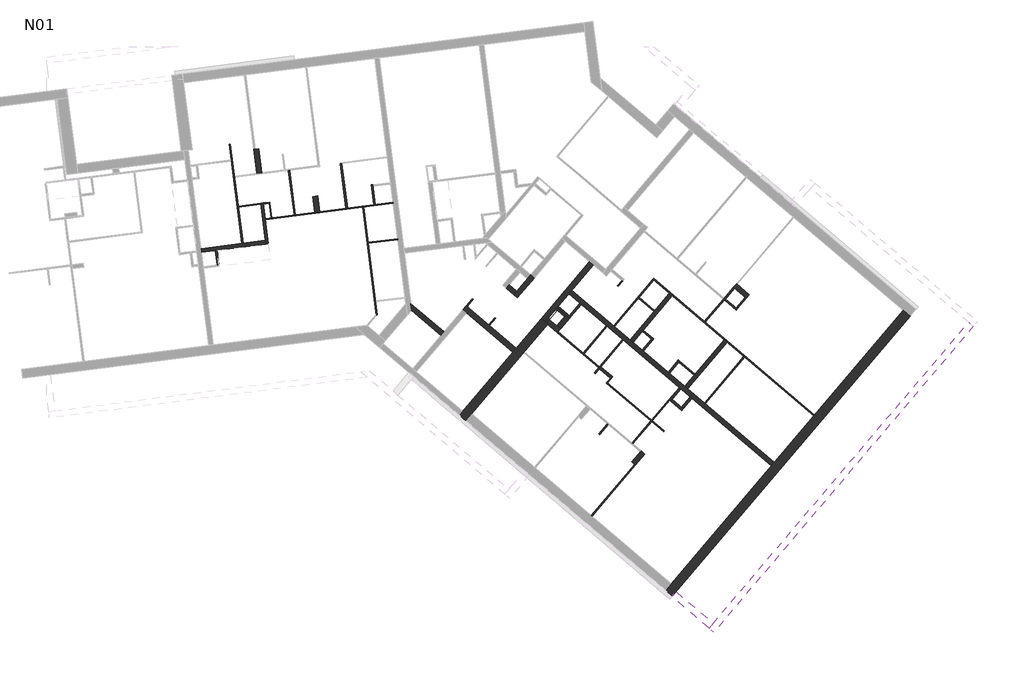
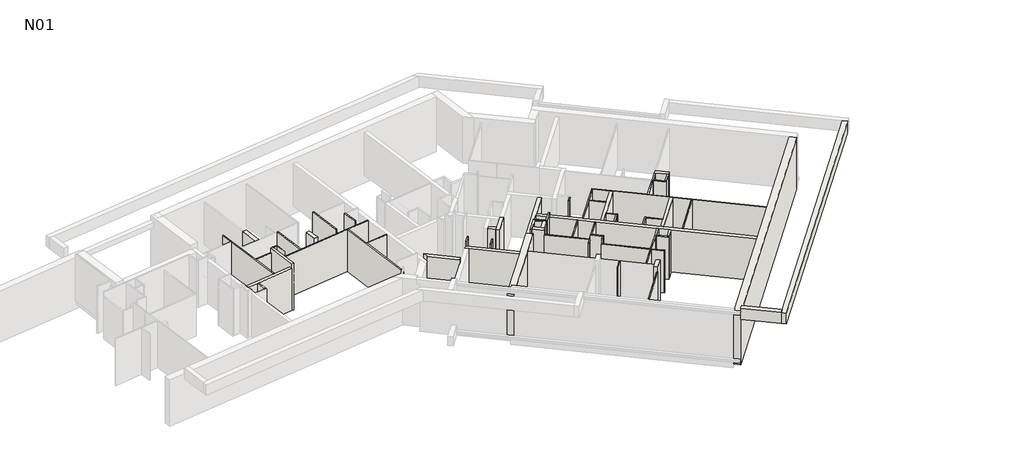
# One storey, part 2 of 3: 63 walls.
"""IFC4 building model written with IfcOpenShell, lengths in millimetres."""

from ifc_helpers import new_model, si_unit, frame, origin, place, context, project, spatial, polyline, outline, extrude, faceted_brep, element, save

model = new_model("IFC4")

# Units and contexts
model_context = context("Model", 3, world=origin())
ifc_project = project(units=[si_unit("LENGTHUNIT", "METRE", prefix="MILLI")], contexts=[model_context])

# Site, building, storey
site = spatial("IfcSite", under=ifc_project)
building = spatial("IfcBuilding", under=site)
storey = spatial("IfcBuildingStorey", under=building, Name="N01", Elevation=3070.0)

# Walls
placement = place(None, origin())
element("IfcWall", 1, at=placement, inside=storey, context=model_context, shape_type="Brep", body=[
    faceted_brep([(28349.5327642, 14866.2082048, 2800.0), (18559.3618877, 3330.6347804, 2800.0), (18559.3618877, 3330.6347804, 5840.0), (18798.7778311, 3612.7340644, 5840.0), (28349.5327642, 14866.2082048, 5840.0), (28631.6320474, 14626.7922604, 2800.0), (28631.6320474, 14626.7922604, 5840.0), (19080.8771151, 3373.318121, 5840.0), (18996.7579999, 3274.2021564, 5840.0), (18841.4611717, 3091.218837, 5840.0), (18841.4611717, 3091.218837, 5510.0), (18841.4611717, 3091.218837, 3380.0), (18841.4611717, 3091.218837, 2800.0), (18996.7579999, 3274.2021564, 2800.0)], [[[0, 1, 2, 3, 4]], [[5, 6, 7, 8, 9, 10, 11, 12, 13]], [[1, 0, 5, 13, 12]], [[4, 3, 2, 9, 8, 7, 6]], [[0, 4, 6, 5]], [[1, 12, 11, 10, 9, 2]]]),
])
element("IfcWall", 2, at=placement, inside=storey, context=model_context, shape_type="Brep", body=[
    faceted_brep([(10327.551374, 10316.9222052, 3070.0), (10566.9673175, 10599.0214892, 3070.0), (12710.0141102, 13124.1330466, 3070.0), (12742.3676161, 13162.2545715, 3070.0), (13700.7356476, 14291.4815212, 3070.0), (13700.7356476, 14291.4815212, 5570.0), (12742.3676161, 13162.2545715, 5570.0), (12710.0141102, 13124.1330466, 5570.0), (10566.9673175, 10599.0214892, 5570.0), (10327.551374, 10316.9222052, 5570.0), (13433.8849736, 14517.9560622, 5570.0), (13433.8849736, 14517.9560622, 3070.0), (12403.0945249, 13303.3951464, 3070.0), (12273.6805015, 13150.909047, 3070.0), (10203.0561258, 10711.1314557, 3070.0), (10060.7007, 10543.3967463, 3070.0), (10060.7007, 10543.3967463, 5570.0), (10203.0561258, 10711.1314557, 5570.0), (12273.6805015, 13150.909047, 5570.0), (12403.0945249, 13303.3951464, 5570.0), (10194.126037, 10430.1594757, 3070.0), (10194.126037, 10430.1594757, 5570.0)], [[[0, 1, 2, 3, 4, 5, 6, 7, 8, 9]], [[10, 11, 12, 13, 14, 15, 16, 17, 18, 19]], [[4, 3, 2, 1, 0, 20, 15, 14, 13, 12, 11]], [[5, 4, 11, 10]], [[9, 8, 7, 6, 5, 10, 19, 18, 17, 16, 21]], [[0, 9, 21, 16, 15, 20]]]),
])
element("IfcWall", 3, at=placement, inside=storey, context=model_context, shape_type="Brep", body=[
    faceted_brep([(13586.371073, 14388.5420388, 3070.0), (14569.2133936, 15546.6065809, 3070.0), (14698.6274171, 15699.0926804, 3070.0), (15578.6427768, 16735.9981567, 3070.0), (15578.6427768, 16735.9981567, 5570.0), (14698.6274171, 15699.0926804, 5570.0), (14569.2133936, 15546.6065809, 5570.0), (13586.371073, 14388.5420388, 5570.0), (13433.8849736, 14517.9560622, 3070.0), (13433.8849736, 14517.9560622, 5570.0), (15426.1566773, 16865.4121802, 5570.0), (15426.1566773, 16865.4121802, 3070.0)], [[[0, 1, 2, 3, 4, 5, 6, 7]], [[8, 9, 10, 11]], [[3, 2, 1, 0, 8, 11]], [[7, 6, 5, 4, 10, 9]], [[0, 7, 9, 8]], [[4, 3, 11, 10]]]),
])
element("IfcWall", 4, at=placement, inside=storey, context=model_context, shape_type="Brep", body=[
    faceted_brep([(12403.0945249, 13303.3951464, 3070.0), (11305.1946088, 14235.1761155, 3070.0), (11267.073084, 14267.5296214, 3070.0), (10382.6537071, 15018.1309575, 3070.0), (10344.5321823, 15050.4844634, 3070.0), (10344.5321823, 15050.4844634, 5570.0), (12403.0945249, 13303.3951464, 5570.0), (12273.6805015, 13150.909047, 3070.0), (12273.6805015, 13150.909047, 5570.0), (10367.6042582, 14768.5843405, 5570.0), (10215.1181588, 14897.9983639, 5570.0), (10215.1181588, 14897.9983639, 3070.0), (10367.6042582, 14768.5843405, 3070.0)], [[[0, 1, 2, 3, 4, 5, 6]], [[7, 8, 9, 10, 11, 12]], [[4, 3, 2, 1, 0, 7, 12, 11]], [[6, 5, 10, 9, 8]], [[5, 4, 11, 10]], [[0, 6, 8, 7]]]),
])
element("IfcWall", 5, at=placement, inside=storey, context=model_context, shape_type="Brep", body=[
    faceted_brep([(8089.348342, 14865.8933062, 3070.0), (9309.2199944, 13830.5956677, 3070.0), (9309.2199944, 13830.5956677, 5840.0), (8089.348342, 14865.8933062, 5840.0), (8066.276266, 15147.7934292, 3070.0), (8066.276266, 15147.7934292, 5840.0), (9438.6340179, 13983.0817672, 5840.0), (9438.6340179, 13983.0817672, 3070.0), (8100.609629, 14879.1622679, 3070.0), (8100.609629, 14879.1622679, 5840.0), (8100.609629, 14879.1622679, 5570.0)], [[[0, 1, 2, 3]], [[4, 5, 6, 7]], [[1, 0, 8, 4, 7]], [[3, 2, 6, 5, 9]], [[2, 1, 7, 6]], [[0, 3, 9, 10, 8]], [[9, 5, 4, 8, 10]]]),
])
element("IfcWall", 6, at=placement, inside=storey, context=model_context, shape_type="Brep", body=[
    faceted_brep([(31042.9791032, 14377.1818074, 5510.0), (20521.6189944, 1980.0619216, 5510.0), (20353.3807639, 1781.8299923, 5510.0), (20353.3807639, 1781.8299923, 6150.0), (20521.6189944, 1980.0619216, 6150.0), (31042.9791032, 14377.1818074, 6150.0), (31241.2110325, 14208.9435768, 5510.0), (31241.2110325, 14208.9435768, 6150.0), (20551.6126932, 1613.5917618, 6150.0), (20551.6126932, 1613.5917618, 5510.0)], [[[0, 1, 2, 3, 4, 5]], [[6, 7, 8, 9]], [[2, 1, 0, 6, 9]], [[5, 4, 3, 8, 7]], [[0, 5, 7, 6]], [[3, 2, 9, 8]]]),
])
element("IfcWall", 7, at=placement, inside=storey, context=model_context, shape_type="Brep", body=[
    faceted_brep([(20521.6189944, 1980.0619216, 5510.0), (18996.7579999, 3274.2021564, 5510.0), (18996.7579999, 3274.2021564, 5840.0), (18996.7579999, 3274.2021564, 6150.0), (20521.6189944, 1980.0619216, 6150.0), (18828.5197694, 3075.9702271, 5510.0), (20353.3807639, 1781.8299923, 5510.0), (20353.3807639, 1781.8299923, 6150.0), (18828.5197694, 3075.9702271, 6150.0), (18841.4611717, 3091.218837, 6150.0)], [[[0, 1, 2, 3, 4]], [[5, 6, 7, 8]], [[1, 0, 6, 5]], [[5, 8, 9, 3, 2, 1]], [[4, 3, 9, 8, 7]], [[0, 4, 7, 6]]]),
])
element("IfcWall", 8, at=placement, inside=storey, context=model_context, shape_type="Brep", body=[
    faceted_brep([(23044.8025054, 8615.744738, 3070.0), (20203.3756075, 11027.2464329, 3070.0), (20165.2540826, 11059.5999387, 3070.0), (19479.0666351, 11641.9630444, 3070.0), (19357.0777555, 11745.4942632, 3070.0), (18724.2604428, 12282.5624606, 3070.0), (18670.890308, 12327.8573688, 3070.0), (17219.7762145, 13559.409058, 3070.0), (17097.7873349, 13662.9402767, 3070.0), (16457.3457172, 14206.4791754, 3070.0), (16419.2241924, 14238.8326812, 3070.0), (14698.6274171, 15699.0926804, 3070.0), (14698.6274171, 15699.0926804, 5570.0), (16419.2241924, 14238.8326812, 5570.0), (16457.3457172, 14206.4791754, 5570.0), (17097.7873349, 13662.9402767, 5570.0), (17219.7762145, 13559.409058, 5570.0), (18670.890308, 12327.8573688, 5570.0), (18724.2604428, 12282.5624606, 5570.0), (19357.0777555, 11745.4942632, 5570.0), (19479.0666351, 11641.9630444, 5570.0), (20165.2540826, 11059.5999387, 5570.0), (20203.3756075, 11027.2464329, 5570.0), (23044.8025054, 8615.744738, 5570.0), (22915.3884819, 8463.2586386, 3070.0), (22915.3884819, 8463.2586386, 5570.0), (19648.4348699, 11235.9022629, 5570.0), (19572.1918202, 11300.6092746, 5570.0), (19190.9765715, 11624.1443333, 5570.0), (19114.7335218, 11688.851345, 5570.0), (16822.4519677, 13634.2967327, 5570.0), (16784.3304428, 13666.6502385, 5570.0), (16151.51313, 14203.718436, 5570.0), (16113.3916052, 14236.0719418, 5570.0), (14569.2133936, 15546.6065809, 5570.0), (14569.2133936, 15546.6065809, 3070.0), (16113.3916052, 14236.0719418, 3070.0), (16151.51313, 14203.718436, 3070.0), (16784.3304428, 13666.6502385, 3070.0), (16822.4519677, 13634.2967327, 3070.0), (19114.7335218, 11688.851345, 3070.0), (19190.9765715, 11624.1443333, 3070.0), (19572.1918202, 11300.6092746, 3070.0), (19648.4348699, 11235.9022629, 3070.0)], [[[0, 1, 2, 3, 4, 5, 6, 7, 8, 9, 10, 11, 12, 13, 14, 15, 16, 17, 18, 19, 20, 21, 22, 23]], [[24, 25, 26, 27, 28, 29, 30, 31, 32, 33, 34, 35, 36, 37, 38, 39, 40, 41, 42, 43]], [[11, 10, 9, 8, 7, 6, 5, 4, 3, 2, 1, 0, 24, 43, 42, 41, 40, 39, 38, 37, 36, 35]], [[23, 22, 21, 20, 19, 18, 17, 16, 15, 14, 13, 12, 34, 33, 32, 31, 30, 29, 28, 27, 26, 25]], [[0, 23, 25, 24]], [[12, 11, 35, 34]]]),
])
element("IfcWall", 9, at=placement, inside=storey, context=model_context, shape_type="Brep", body=[
    faceted_brep([(12998.0125548, 16326.6822904, 3070.0), (12868.5985313, 16174.196191, 3070.0), (12435.0615526, 15663.3677578, 3070.0), (12305.6475292, 15510.8816583, 3070.0), (12305.6475292, 15510.8816583, 5570.0), (12435.0615526, 15663.3677578, 5570.0), (12868.5985313, 16174.196191, 5570.0), (12998.0125548, 16326.6822904, 5570.0), (13150.4986542, 16197.2682669, 3070.0), (13150.4986542, 16197.2682669, 5570.0), (12458.1336286, 15381.4676348, 5570.0), (12458.1336286, 15381.4676348, 3070.0)], [[[0, 1, 2, 3, 4, 5, 6, 7]], [[8, 9, 10, 11]], [[3, 2, 1, 0, 8, 11]], [[7, 6, 5, 4, 10, 9]], [[4, 3, 11, 10]], [[0, 7, 9, 8]]]),
])
element("IfcWall", 10, at=placement, inside=storey, context=model_context, shape_type="SweptSolid", body=[
    extrude(outline(polyline([(12305.6475292, 15510.8816583), (12000.6753302, 15769.7097053), (12130.0893537, 15922.1958047), (12435.0615526, 15663.3677578), (12305.6475292, 15510.8816583)])), frame((0.0, 0.0, 3070.0), z_axis=(0.0, 0.0, 1.0), x_axis=(1.0, 0.0, 0.0)), (0.0, 0.0, 1.0), 2500.0),
])
element("IfcWall", 11, at=placement, inside=storey, context=model_context, shape_type="SweptSolid", body=[
    extrude(outline(polyline([(14152.0802044, 14931.4722172), (14457.0524033, 14672.6441703), (14405.2867939, 14611.6497305), (14100.314595, 14870.4777775), (14152.0802044, 14931.4722172)])), frame((0.0, 0.0, 3070.0), z_axis=(0.0, 0.0, 1.0), x_axis=(1.0, 0.0, 0.0)), (0.0, 0.0, 1.0), 2770.0),
])
element("IfcWall", 12, at=placement, inside=storey, context=model_context, shape_type="Brep", body=[
    faceted_brep([(14091.0857646, 14983.2378266, 3070.0), (13586.371073, 14388.5420388, 3070.0), (13586.371073, 14388.5420388, 5840.0), (14091.0857646, 14983.2378266, 5840.0), (14019.9080517, 14899.3704719, 4570.0), (13728.7264989, 14556.2767482, 4570.0), (13728.7264989, 14556.2767482, 3570.0), (14019.9080517, 14899.3704719, 3570.0), (13647.3655128, 14336.7764294, 3070.0), (13776.7795363, 14489.2625288, 3070.0), (14100.314595, 14870.4777775, 3070.0), (14152.0802044, 14931.4722172, 3070.0), (14152.0802044, 14931.4722172, 5840.0), (14100.314595, 14870.4777775, 5840.0), (13776.7795363, 14489.2625288, 5840.0), (13647.3655128, 14336.7764294, 5840.0), (13789.7209386, 14504.5111388, 4570.0), (14080.9024915, 14847.6048625, 4570.0), (14080.9024915, 14847.6048625, 3570.0), (13789.7209386, 14504.5111388, 3570.0)], [[[0, 1, 2, 3], [4, 5, 6, 7]], [[8, 9, 10, 11, 12, 13, 14, 15], [16, 17, 18, 19]], [[1, 0, 11, 10, 9, 8]], [[3, 2, 15, 14, 13, 12]], [[4, 17, 16, 5]], [[6, 19, 18, 7]], [[17, 4, 7, 18]], [[5, 16, 19, 6]], [[2, 1, 8, 15]], [[0, 3, 12, 11]]]),
])
element("IfcWall", 13, at=placement, inside=storey, context=model_context, shape_type="Brep", body=[
    faceted_brep([(13647.3655128, 14336.7764294, 3070.0), (14104.8238112, 13948.5343589, 3070.0), (14104.8238112, 13948.5343589, 5840.0), (13647.3655128, 14336.7764294, 5840.0), (13776.7795363, 14489.2625288, 3070.0), (13776.7795363, 14489.2625288, 5840.0), (14081.7517352, 14230.4344819, 5840.0), (14234.2378347, 14101.0204584, 5840.0), (14234.2378347, 14101.0204584, 3070.0), (14081.7517352, 14230.4344819, 3070.0)], [[[0, 1, 2, 3]], [[4, 5, 6, 7, 8, 9]], [[1, 0, 4, 9, 8]], [[3, 2, 7, 6, 5]], [[2, 1, 8, 7]], [[0, 3, 5, 4]]]),
])
element("IfcWall", 14, at=placement, inside=storey, context=model_context, shape_type="Brep", body=[
    faceted_brep([(14234.2378347, 14101.0204584, 3070.0), (14609.5385027, 14543.2301468, 3070.0), (14609.5385027, 14543.2301468, 5840.0), (14234.2378347, 14101.0204584, 5840.0), (14081.7517352, 14230.4344819, 3070.0), (14081.7517352, 14230.4344819, 5840.0), (14405.2867939, 14611.6497305, 5840.0), (14457.0524033, 14672.6441703, 5840.0), (14457.0524033, 14672.6441703, 3070.0), (14405.2867939, 14611.6497305, 3070.0)], [[[0, 1, 2, 3]], [[4, 5, 6, 7, 8, 9]], [[1, 0, 4, 9, 8]], [[3, 2, 7, 6, 5]], [[0, 3, 5, 4]], [[2, 1, 8, 7]]]),
])
element("IfcWall", 15, ObjectType="CLO 10", at=placement, inside=storey, context=model_context, shape_type="Brep", body=[
    faceted_brep([(19114.7335218, 11688.851345, 3070.0), (18694.1379455, 11193.2715218, 3070.0), (18694.1379455, 11193.2715218, 5570.0), (19114.7335218, 11688.851345, 5570.0), (19190.9765715, 11624.1443333, 3070.0), (19190.9765715, 11624.1443333, 5570.0), (18835.0880069, 11204.8075598, 5570.0), (18770.3809952, 11128.5645101, 5570.0), (18770.3809952, 11128.5645101, 3070.0), (18835.0880069, 11204.8075598, 3070.0), (18732.2594703, 11160.9180159, 3070.0), (18732.2594703, 11160.9180159, 5570.0)], [[[0, 1, 2, 3]], [[4, 5, 6, 7, 8, 9]], [[1, 0, 4, 9, 8, 10]], [[3, 2, 11, 7, 6, 5]], [[0, 3, 5, 4]], [[2, 1, 10, 8, 7, 11]]]),
])
element("IfcWall", 16, ObjectType="CLO 10", at=placement, inside=storey, context=model_context, shape_type="Brep", body=[
    faceted_brep([(18770.3809952, 11128.5645101, 3070.0), (19227.8392936, 10740.3224396, 3070.0), (19227.8392936, 10740.3224396, 5570.0), (18770.3809952, 11128.5645101, 5570.0), (18835.0880069, 11204.8075598, 3070.0), (18835.0880069, 11204.8075598, 5570.0), (19216.3032556, 10881.2725011, 5570.0), (19292.5463053, 10816.5654894, 5570.0), (19292.5463053, 10816.5654894, 3070.0), (19216.3032556, 10881.2725011, 3070.0)], [[[0, 1, 2, 3]], [[4, 5, 6, 7, 8, 9]], [[1, 0, 4, 9, 8]], [[3, 2, 7, 6, 5]], [[2, 1, 8, 7]], [[0, 3, 5, 4]]]),
])
element("IfcWall", 17, ObjectType="CLO 10", at=placement, inside=storey, context=model_context, shape_type="SweptSolid", body=[
    extrude(outline(polyline([(19648.4348699, 11235.9022629), (19292.5463053, 10816.5654894), (19216.3032556, 10881.2725011), (19572.1918202, 11300.6092746), (19648.4348699, 11235.9022629)])), frame((0.0, 0.0, 3070.0), z_axis=(0.0, 0.0, 1.0), x_axis=(1.0, 0.0, 0.0)), (0.0, 0.0, 1.0), 2500.0),
])
element("IfcWall", 18, ObjectType="CLO 10", at=placement, inside=storey, context=model_context, shape_type="SweptSolid", body=[
    extrude(outline(polyline([(15897.1416998, 12544.0211215), (16354.5999982, 12155.7790511), (16289.8929864, 12079.5360014), (15832.4346881, 12467.7780718), (15897.1416998, 12544.0211215)])), frame((0.0, 0.0, 3070.0), z_axis=(0.0, 0.0, 1.0), x_axis=(1.0, 0.0, 0.0)), (0.0, 0.0, 1.0), 2770.0),
])
element("IfcWall", 19, ObjectType="CLO 10", at=placement, inside=storey, context=model_context, shape_type="Brep", body=[
    faceted_brep([(2196.7926161, 17609.779786, 3070.0), (2070.0916156, 18601.1139866, 3070.0), (2063.7527505, 18650.7105469, 3070.0), (1987.6863688, 19245.8692699, 3070.0), (1981.3475037, 19295.4658301, 3070.0), (1981.3475037, 19295.4658301, 5840.0), (1987.6863688, 19245.8692699, 5840.0), (2196.7926161, 17609.779786, 5840.0), (2097.5994956, 17597.1020558, 3070.0), (2097.5994956, 17597.1020558, 5570.0), (2097.5994956, 17597.1020558, 5840.0), (1882.1543832, 19282.7880998, 5840.0), (1882.1543832, 19282.7880998, 5570.0), (1882.1543832, 19282.7880998, 3070.0), (1888.4932483, 19233.1915396, 3070.0), (2077.3151272, 17755.8110486, 3070.0)], [[[0, 1, 2, 3, 4, 5, 6, 7]], [[8, 9, 10, 11, 12, 13, 14, 15]], [[4, 3, 2, 1, 0, 8, 15, 14, 13]], [[7, 6, 5, 11, 10]], [[0, 7, 10, 9, 8]], [[4, 13, 12, 11, 5]]]),
])
element("IfcWall", 20, ObjectType="CLO 2", at=placement, inside=storey, context=model_context, shape_type="Brep", body=[
    faceted_brep([(2235.6691701, 19277.5635956, 3070.0), (2311.7355518, 18682.4048725, 3070.0), (2311.7355518, 18682.4048725, 5840.0), (2235.6691701, 19277.5635956, 5840.0), (2255.5077942, 19280.0991416, 3070.0), (2255.5077942, 19280.0991416, 5840.0), (2331.5741759, 18684.9404186, 5840.0), (2331.5741759, 18684.9404186, 5170.0), (2331.5741759, 18684.9404186, 3070.0)], [[[0, 1, 2, 3]], [[4, 5, 6, 7, 8]], [[1, 0, 4, 8]], [[3, 2, 6, 5]], [[0, 3, 5, 4]], [[2, 1, 8, 7, 6]]]),
])
element("IfcWall", 21, ObjectType="CLO 5", at=placement, inside=storey, context=model_context, shape_type="SweptSolid", body=[
    extrude(outline(polyline([(11564.0226558, 14540.1483144), (11305.1946088, 14235.1761155), (11267.073084, 14267.5296214), (11525.9011309, 14572.5018203), (11564.0226558, 14540.1483144)])), frame((0.0, 0.0, 3070.0), z_axis=(0.0, 0.0, 1.0), x_axis=(1.0, 0.0, 0.0)), (0.0, 0.0, 1.0), 2770.0),
])
element("IfcWall", 22, ObjectType="CLO 5", at=placement, inside=storey, context=model_context, shape_type="Brep", body=[
    faceted_brep([(10382.6537071, 15018.1309575, 3070.0), (10641.4817541, 15323.1031564, 3070.0), (10641.4817541, 15323.1031564, 5840.0), (10382.6537071, 15018.1309575, 5840.0), (10344.5321823, 15050.4844634, 3070.0), (10344.5321823, 15050.4844634, 5570.0), (10344.5321823, 15050.4844634, 5840.0), (10603.3602292, 15355.4566623, 5840.0), (10603.3602292, 15355.4566623, 3070.0)], [[[0, 1, 2, 3]], [[4, 5, 6, 7, 8]], [[1, 0, 4, 8]], [[2, 1, 8, 7]], [[3, 2, 7, 6]], [[0, 3, 6, 5, 4]]]),
])
element("IfcWall", 23, ObjectType="CLO 5", at=placement, inside=storey, context=model_context, shape_type="Brep", body=[
    faceted_brep([(24711.8920463, 10549.1363042, 3070.0), (18071.0651233, 16185.1656498, 3070.0), (18071.0651233, 16185.1656498, 5570.0), (20160.1819776, 14412.144905, 5570.0), (20198.3035024, 14379.7913992, 5570.0), (24711.8920463, 10549.1363042, 5570.0), (24679.5385405, 10511.0147794, 3070.0), (24679.5385405, 10511.0147794, 5570.0), (21822.8630326, 12935.4578765, 5570.0), (21784.7415077, 12967.8113824, 5570.0), (21098.5540602, 13550.1744881, 5570.0), (20976.5651806, 13653.7057069, 5570.0), (18839.2636396, 15467.6205017, 5570.0), (18717.2747601, 15571.1517204, 5570.0), (18076.8331423, 16114.690619, 5570.0), (18038.7116175, 16147.0441249, 5570.0), (18038.7116175, 16147.0441249, 3070.0), (18076.8331423, 16114.690619, 3070.0), (18717.2747601, 15571.1517204, 3070.0), (18839.2636396, 15467.6205017, 3070.0), (20976.5651806, 13653.7057069, 3070.0), (21098.5540602, 13550.1744881, 3070.0), (21784.7415077, 12967.8113824, 3070.0), (21822.8630326, 12935.4578765, 3070.0)], [[[0, 1, 2, 3, 4, 5]], [[6, 7, 8, 9, 10, 11, 12, 13, 14, 15, 16, 17, 18, 19, 20, 21, 22, 23]], [[1, 0, 6, 23, 22, 21, 20, 19, 18, 17, 16]], [[5, 4, 3, 2, 15, 14, 13, 12, 11, 10, 9, 8, 7]], [[0, 5, 7, 6]], [[2, 1, 16, 15]]]),
])
element("IfcWall", 24, ObjectType="CLO 5", at=placement, inside=storey, context=model_context, shape_type="Brep", body=[
    faceted_brep([(17442.7044273, 15367.5087317, 3070.0), (18083.146045, 14823.9698331, 3070.0), (18083.146045, 14823.9698331, 5570.0), (17442.7044273, 15367.5087317, 5570.0), (17442.7044273, 15367.5087317, 5170.0), (17475.0579332, 15405.6302566, 3070.0), (17475.0579332, 15405.6302566, 5170.0), (17475.0579332, 15405.6302566, 5570.0), (18115.4995509, 14862.091358, 5570.0), (18115.4995509, 14862.091358, 3070.0)], [[[0, 1, 2, 3, 4]], [[5, 6, 7, 8, 9]], [[1, 0, 5, 9]], [[3, 2, 8, 7]], [[0, 4, 3, 7, 6, 5]], [[2, 1, 9, 8]]]),
])
element("IfcWall", 25, ObjectType="CLO 5", at=placement, inside=storey, context=model_context, shape_type="SweptSolid", body=[
    extrude(outline(polyline([(21822.8630326, 12935.4578765), (20203.3756075, 11027.2464329), (20165.2540826, 11059.5999387), (21784.7415077, 12967.8113824), (21822.8630326, 12935.4578765)])), frame((0.0, 0.0, 3070.0), z_axis=(0.0, 0.0, 1.0), x_axis=(1.0, 0.0, 0.0)), (0.0, 0.0, 1.0), 2500.0),
])
element("IfcWall", 26, ObjectType="CLO 5", at=placement, inside=storey, context=model_context, shape_type="Brep", body=[
    faceted_brep([(18038.7116175, 16147.0441249, 3070.0), (16419.2241924, 14238.8326812, 3070.0), (16419.2241924, 14238.8326812, 5570.0), (18038.7116175, 16147.0441249, 5570.0), (18076.8331423, 16114.690619, 3070.0), (18076.8331423, 16114.690619, 5570.0), (17475.0579332, 15405.6302566, 5570.0), (17442.7044273, 15367.5087317, 5570.0), (16457.3457172, 14206.4791754, 5570.0), (16457.3457172, 14206.4791754, 3070.0), (17442.7044273, 15367.5087317, 3070.0), (17475.0579332, 15405.6302566, 3070.0)], [[[0, 1, 2, 3]], [[4, 5, 6, 7, 8, 9, 10, 11]], [[1, 0, 4, 11, 10, 9]], [[3, 2, 8, 7, 6, 5]], [[2, 1, 9, 8]], [[0, 3, 5, 4]]]),
])
element("IfcWall", 27, ObjectType="CLO 5", at=placement, inside=storey, context=model_context, shape_type="SweptSolid", body=[
    extrude(outline(polyline([(15493.7026942, 6417.7311946), (17282.8515688, 8525.8515196), (17320.9730937, 8493.4980137), (15531.8242191, 6385.3776887), (15493.7026942, 6417.7311946)])), frame((0.0, 0.0, 3070.0), z_axis=(0.0, 0.0, 1.0), x_axis=(1.0, 0.0, 0.0)), (0.0, 0.0, 1.0), 2500.0),
])
element("IfcWall", 28, ObjectType="CLO 5", at=placement, inside=storey, context=model_context, shape_type="Brep", body=[
    faceted_brep([(18516.0621645, 9901.6488926, 3070.0), (18020.4823412, 10322.2444689, 3070.0), (17982.3608164, 10354.5979748, 3070.0), (16185.6590855, 11879.4477861, 3070.0), (16147.5375606, 11911.801292, 3070.0), (16147.5375606, 11911.801292, 5570.0), (17982.3608164, 10354.5979748, 5570.0), (18020.4823412, 10322.2444689, 5570.0), (18516.0621645, 9901.6488926, 5570.0), (18483.7086586, 9863.5273678, 3070.0), (18483.7086586, 9863.5273678, 5570.0), (17988.1288353, 10284.1229441, 5570.0), (17950.0073105, 10316.4764499, 5570.0), (16115.1840547, 11873.6797671, 5570.0), (16115.1840547, 11873.6797671, 3070.0)], [[[0, 1, 2, 3, 4, 5, 6, 7, 8]], [[9, 10, 11, 12, 13, 14]], [[4, 3, 2, 1, 0, 9, 14]], [[8, 7, 6, 5, 13, 12, 11, 10]], [[0, 8, 10, 9]], [[5, 4, 14, 13]]]),
])
element("IfcWall", 29, ObjectType="CLO 5", at=placement, inside=storey, context=model_context, shape_type="Brep", body=[
    faceted_brep([(15657.7257564, 12261.9218376, 3070.0), (15832.4346881, 12467.7780718, 3070.0), (15897.1416998, 12544.0211215, 3070.0), (16822.4519677, 13634.2967327, 3070.0), (16822.4519677, 13634.2967327, 5570.0), (15657.7257564, 12261.9218376, 5570.0), (15619.6042315, 12294.2753434, 3070.0), (15619.6042315, 12294.2753434, 5570.0), (15801.4881222, 12508.5856963, 5570.0), (15833.841628, 12546.7072212, 5570.0), (16784.3304428, 13666.6502385, 5570.0), (16784.3304428, 13666.6502385, 3070.0)], [[[0, 1, 2, 3, 4, 5]], [[6, 7, 8, 9, 10, 11]], [[3, 2, 1, 0, 6, 11]], [[5, 4, 10, 9, 8, 7]], [[0, 5, 7, 6]], [[4, 3, 11, 10]]]),
])
element("IfcWall", 30, ObjectType="CLO 5", at=placement, inside=storey, context=model_context, shape_type="Brep", body=[
    faceted_brep([(15833.841628, 12546.7072212, 3070.0), (15201.0243153, 13083.7754186, 3070.0), (15162.9027904, 13116.1289245, 3070.0), (14137.1773171, 13986.6558838, 3070.0), (14137.1773171, 13986.6558838, 5570.0), (15162.9027904, 13116.1289245, 5570.0), (15201.0243153, 13083.7754186, 5570.0), (15833.841628, 12546.7072212, 5570.0), (15801.4881222, 12508.5856963, 3070.0), (15801.4881222, 12508.5856963, 5570.0), (14104.8238112, 13948.5343589, 5570.0), (14104.8238112, 13948.5343589, 3070.0)], [[[0, 1, 2, 3, 4, 5, 6, 7]], [[8, 9, 10, 11]], [[3, 2, 1, 0, 8, 11]], [[7, 6, 5, 4, 10, 9]], [[0, 7, 9, 8]], [[4, 3, 11, 10]]]),
])
element("IfcWall", 31, ObjectType="CLO 5", at=placement, inside=storey, context=model_context, shape_type="Brep", body=[
    faceted_brep([(16113.3916052, 14236.0719418, 3070.0), (15162.9027904, 13116.1289245, 3070.0), (15162.9027904, 13116.1289245, 5570.0), (16113.3916052, 14236.0719418, 5570.0), (16151.51313, 14203.718436, 3070.0), (16151.51313, 14203.718436, 5570.0), (15201.0243153, 13083.7754186, 5570.0), (15201.0243153, 13083.7754186, 5170.0), (15201.0243153, 13083.7754186, 3070.0)], [[[0, 1, 2, 3]], [[4, 5, 6, 7, 8]], [[1, 0, 4, 8]], [[3, 2, 6, 5]], [[0, 3, 5, 4]], [[2, 1, 8, 7, 6]]]),
])
element("IfcWall", 32, ObjectType="CLO 5", at=placement, inside=storey, context=model_context, shape_type="SweptSolid", body=[
    extrude(outline(polyline([(17982.3608164, 10354.5979748), (18694.1379455, 11193.2715218), (18732.2594703, 11160.9180159), (18020.4823412, 10322.2444689), (17982.3608164, 10354.5979748)])), frame((0.0, 0.0, 3070.0), z_axis=(0.0, 0.0, 1.0), x_axis=(1.0, 0.0, 0.0)), (0.0, 0.0, 1.0), 2500.0),
])
element("IfcWall", 33, ObjectType="CLO 5", at=placement, inside=storey, context=model_context, shape_type="SweptSolid", body=[
    extrude(outline(polyline([(17173.5231696, 9401.5598532), (17950.0073105, 10316.4764499), (17988.1288353, 10284.1229441), (17211.6446945, 9369.2063473), (17173.5231696, 9401.5598532)])), frame((0.0, 0.0, 3070.0), z_axis=(0.0, 0.0, 1.0), x_axis=(1.0, 0.0, 0.0)), (0.0, 0.0, 1.0), 2500.0),
])
element("IfcWall", 34, ObjectType="CLO 5", at=placement, inside=storey, context=model_context, shape_type="SweptSolid", body=[
    extrude(outline(polyline([(16574.9305796, 15890.454769), (16749.6395113, 16096.3110033), (16787.7610362, 16063.9574974), (16613.0521045, 15858.1012632), (16574.9305796, 15890.454769)])), frame((0.0, 0.0, 3070.0), z_axis=(0.0, 0.0, 1.0), x_axis=(1.0, 0.0, 0.0)), (0.0, 0.0, 1.0), 2500.0),
])
element("IfcWall", 35, ObjectType="CLO 5", at=placement, inside=storey, context=model_context, shape_type="SweptSolid", body=[
    extrude(outline(polyline([(20974.7876433, 15294.7079959), (20198.3035024, 14379.7913992), (20160.1819776, 14412.144905), (20936.6661184, 15327.0615018), (20955.7268809, 15310.8847488), (20963.3511858, 15304.4140477), (20974.7876433, 15294.7079959)])), frame((0.0, 0.0, 3070.0), z_axis=(0.0, 0.0, 1.0), x_axis=(1.0, 0.0, 0.0)), (0.0, 0.0, 1.0), 2500.0),
])
element("IfcWall", 36, ObjectType="CLO 5", at=placement, inside=storey, context=model_context, shape_type="Brep", body=[
    faceted_brep([(16185.6590855, 11879.4477861, 3070.0), (16392.721523, 12123.4255452, 3070.0), (16392.721523, 12123.4255452, 5840.0), (16185.6590855, 11879.4477861, 5840.0), (16147.5375606, 11911.801292, 3070.0), (16147.5375606, 11911.801292, 5570.0), (16147.5375606, 11911.801292, 5840.0), (16289.8929864, 12079.5360014, 5840.0), (16354.5999982, 12155.7790511, 5840.0), (16354.5999982, 12155.7790511, 3070.0), (16289.8929864, 12079.5360014, 3070.0)], [[[0, 1, 2, 3]], [[4, 5, 6, 7, 8, 9, 10]], [[1, 0, 4, 10, 9]], [[3, 2, 8, 7, 6]], [[2, 1, 9, 8]], [[0, 3, 6, 5, 4]]]),
])
element("IfcWall", 37, ObjectType="CLO 5", at=placement, inside=storey, context=model_context, shape_type="Brep", body=[
    faceted_brep([(15842.5085102, 9748.2618971, 3070.0), (16196.4064283, 10165.2531296, 3070.0), (16196.4064283, 10165.2531296, 5570.0), (15842.5085102, 9748.2618971, 5570.0), (15804.3869853, 9780.615403, 3070.0), (15804.3869853, 9780.615403, 5570.0), (16158.2849035, 10197.6066355, 5570.0), (16158.2849035, 10197.6066355, 5170.0), (16158.2849035, 10197.6066355, 3070.0)], [[[0, 1, 2, 3]], [[4, 5, 6, 7, 8]], [[1, 0, 4, 8]], [[3, 2, 6, 5]], [[0, 3, 5, 4]], [[2, 1, 8, 7, 6]]]),
])
element("IfcWall", 38, ObjectType="CLO 5", at=placement, inside=storey, context=model_context, shape_type="SweptSolid", body=[
    extrude(outline(polyline([(6311.9700665, 17673.0961097), (7522.1261366, 17827.764419), (7528.4650018, 17778.1678588), (6318.3089316, 17623.4995494), (6311.9700665, 17673.0961097)])), frame((0.0, 0.0, 3070.0), z_axis=(0.0, 0.0, 1.0), x_axis=(1.0, 0.0, 0.0)), (0.0, 0.0, 1.0), 2500.0),
])
element("IfcWall", 39, ObjectType="CLO 5", at=placement, inside=storey, context=model_context, shape_type="Brep", body=[
    faceted_brep([(2070.0916156, 18601.1139866, 3070.0), (6077.4936839, 19113.2942897, 3070.0), (6127.0902442, 19119.6331549, 3070.0), (7337.2463143, 19274.3014642, 3070.0), (7337.2463143, 19274.3014642, 5570.0), (6127.0902442, 19119.6331549, 5570.0), (6077.4936839, 19113.2942897, 5570.0), (2070.0916156, 18601.1139866, 5570.0), (2063.7527505, 18650.7105469, 3070.0), (2063.7527505, 18650.7105469, 5570.0), (3254.0701965, 18802.8433102, 5570.0), (3303.6667568, 18809.1821753, 5570.0), (7330.9074492, 19323.8980245, 5570.0), (7330.9074492, 19323.8980245, 3070.0), (6606.7976692, 19231.3505934, 3070.0), (6537.3624849, 19222.4761822, 3070.0), (5461.1171277, 19084.9228088, 3070.0), (5391.6819434, 19076.0483976, 3070.0), (4303.6661581, 18936.9906626, 3070.0), (4105.2799171, 18911.6352021, 3070.0), (3303.6667568, 18809.1821753, 3070.0), (3254.0701965, 18802.8433102, 3070.0), (2331.5741759, 18684.9404186, 3070.0), (2311.7355518, 18682.4048725, 3070.0)], [[[0, 1, 2, 3, 4, 5, 6, 7]], [[8, 9, 10, 11, 12, 13, 14, 15, 16, 17, 18, 19, 20, 21, 22, 23]], [[3, 2, 1, 0, 8, 23, 22, 21, 20, 19, 18, 17, 16, 15, 14, 13]], [[7, 6, 5, 4, 12, 11, 10, 9]], [[0, 7, 9, 8]], [[4, 3, 13, 12]]]),
])
element("IfcWall", 40, ObjectType="CLO 5", at=placement, inside=storey, context=model_context, shape_type="SweptSolid", body=[
    extrude(outline(polyline([(3070.3965197, 20634.3355925), (3303.6667568, 18809.1821753), (3254.0701965, 18802.8433102), (3020.7999595, 20627.9967274), (3070.3965197, 20634.3355925)])), frame((0.0, 0.0, 3070.0), z_axis=(0.0, 0.0, 1.0), x_axis=(1.0, 0.0, 0.0)), (0.0, 0.0, 1.0), 2500.0),
])
element("IfcWall", 41, ObjectType="CLO 5", at=placement, inside=storey, context=model_context, shape_type="Brep", body=[
    faceted_brep([(6692.4310716, 14696.2924149, 3070.0), (6318.3089316, 17623.4995494, 3070.0), (6311.9700665, 17673.0961097, 3070.0), (6127.0902442, 19119.6331549, 3070.0), (6127.0902442, 19119.6331549, 5570.0), (6311.9700665, 17673.0961097, 5570.0), (6318.3089316, 17623.4995494, 5570.0), (6692.4310716, 14696.2924149, 5570.0), (6648.6217842, 14644.672759, 3070.0), (6648.6217842, 14644.672759, 5570.0), (6077.4936839, 19113.2942897, 5570.0), (6077.4936839, 19113.2942897, 3070.0), (6640.0384435, 14711.8305493, 3070.0)], [[[0, 1, 2, 3, 4, 5, 6, 7]], [[8, 9, 10, 11, 12]], [[3, 2, 1, 0, 8, 12, 11]], [[7, 6, 5, 4, 10, 9]], [[0, 7, 9, 8]], [[4, 3, 11, 10]]]),
])
element("IfcWall", 42, ObjectType="CLO 5", at=placement, inside=storey, context=model_context, shape_type="SweptSolid", body=[
    extrude(outline(polyline([(959.6583625, 19164.8852083), (1882.1543832, 19282.7880998), (1888.4932483, 19233.1915396), (965.9972277, 19115.288648), (959.6583625, 19164.8852083)])), frame((0.0, 0.0, 3070.0), z_axis=(0.0, 0.0, 1.0), x_axis=(1.0, 0.0, 0.0)), (0.0, 0.0, 1.0), 2500.0),
])
element("IfcWall", 43, ObjectType="CLO 5", at=placement, inside=storey, context=model_context, shape_type="Brep", body=[
    faceted_brep([(584.0238698, 21709.5329332, 3070.0), (666.4291166, 21064.7776499, 3070.0), (672.7679817, 21015.1810896, 3070.0), (1105.2225462, 17631.5692919, 3070.0), (1105.2225462, 17631.5692919, 5570.0), (672.7679817, 21015.1810896, 5570.0), (666.4291166, 21064.7776499, 5570.0), (584.0238698, 21709.5329332, 5570.0), (633.62043, 21715.8717983, 3070.0), (633.62043, 21715.8717983, 5570.0), (802.4545071, 20394.8799025, 5570.0), (808.7933722, 20345.2833423, 5570.0), (959.6583625, 19164.8852083, 5570.0), (965.9972277, 19115.288648, 5570.0), (1154.8191065, 17637.908157, 5570.0), (1154.8191065, 17637.908157, 3070.0), (965.9972277, 19115.288648, 3070.0), (959.6583625, 19164.8852083, 3070.0), (808.7933722, 20345.2833423, 3070.0), (802.4545071, 20394.8799025, 3070.0)], [[[0, 1, 2, 3, 4, 5, 6, 7]], [[8, 9, 10, 11, 12, 13, 14, 15, 16, 17, 18, 19]], [[3, 2, 1, 0, 8, 19, 18, 17, 16, 15]], [[7, 6, 5, 4, 14, 13, 12, 11, 10, 9]], [[0, 7, 9, 8]], [[4, 3, 15, 14]]]),
])
element("IfcWall", 44, ObjectType="CLO 5", at=placement, inside=storey, context=model_context, shape_type="Brep", body=[
    faceted_brep([(2249.1689291, 19329.6957019, 3070.0), (1981.3475037, 19295.4658301, 3070.0), (1981.3475037, 19295.4658301, 5840.0), (2249.1689291, 19329.6957019, 5840.0), (2255.5077942, 19280.0991416, 3070.0), (2255.5077942, 19280.0991416, 5840.0), (2235.6691701, 19277.5635956, 5840.0), (1987.6863688, 19245.8692699, 5840.0), (1987.6863688, 19245.8692699, 3070.0), (2235.6691701, 19277.5635956, 3070.0)], [[[0, 1, 2, 3]], [[4, 5, 6, 7, 8, 9]], [[1, 0, 4, 9, 8]], [[3, 2, 7, 6, 5]], [[0, 3, 5, 4]], [[2, 1, 8, 7]]]),
])
element("IfcWall", 45, ObjectType="CLO 7", at=placement, inside=storey, context=model_context, shape_type="Brep", body=[
    faceted_brep([(18724.2604428, 12282.5624606, 3070.0), (19099.5611109, 12724.772149, 3070.0), (19144.8560191, 12778.1422838, 3070.0), (19144.8560191, 12778.1422838, 5570.0), (19099.5611109, 12724.772149, 5570.0), (18724.2604428, 12282.5624606, 5570.0), (18670.890308, 12327.8573688, 3070.0), (18670.890308, 12327.8573688, 5570.0), (19091.4858843, 12823.437192, 5570.0), (19091.4858843, 12823.437192, 3070.0)], [[[0, 1, 2, 3, 4, 5]], [[6, 7, 8, 9]], [[2, 1, 0, 6, 9]], [[5, 4, 3, 8, 7]], [[3, 2, 9, 8]], [[0, 5, 7, 6]]]),
])
element("IfcWall", 46, ObjectType="CLO 7", at=placement, inside=storey, context=model_context, shape_type="SweptSolid", body=[
    extrude(outline(polyline([(19732.3784236, 12187.7039516), (19099.5611109, 12724.772149), (19144.8560191, 12778.1422838), (19777.6733318, 12241.0740864), (19732.3784236, 12187.7039516)])), frame((0.0, 0.0, 3070.0), z_axis=(0.0, 0.0, 1.0), x_axis=(1.0, 0.0, 0.0)), (0.0, 0.0, 1.0), 2500.0),
])
element("IfcWall", 47, ObjectType="CLO 7", at=placement, inside=storey, context=model_context, shape_type="Brep", body=[
    faceted_brep([(20990.0362532, 15281.7665936, 3070.0), (21470.3674665, 14874.1124196, 3070.0), (21470.3674665, 14874.1124196, 5570.0), (20990.0362532, 15281.7665936, 5570.0), (21035.3311615, 15335.1367284, 3070.0), (21035.3311615, 15335.1367284, 5570.0), (21462.2922399, 14972.7774626, 5570.0), (21515.6623747, 14927.4825544, 5570.0), (21515.6623747, 14927.4825544, 3070.0), (21462.2922399, 14972.7774626, 3070.0)], [[[0, 1, 2, 3]], [[4, 5, 6, 7, 8, 9]], [[1, 0, 4, 9, 8]], [[3, 2, 7, 6, 5]], [[2, 1, 8, 7]], [[0, 3, 5, 4]]]),
])
element("IfcWall", 48, ObjectType="CLO 7", at=placement, inside=storey, context=model_context, shape_type="SweptSolid", body=[
    extrude(outline(polyline([(21887.906207, 15366.0904309), (21515.6623747, 14927.4825544), (21462.2922399, 14972.7774626), (21834.5360722, 15411.3853391), (21887.906207, 15366.0904309)])), frame((0.0, 0.0, 3070.0), z_axis=(0.0, 0.0, 1.0), x_axis=(1.0, 0.0, 0.0)), (0.0, 0.0, 1.0), 2500.0),
])
element("IfcWall", 49, ObjectType="CLO 7", at=placement, inside=storey, context=model_context, shape_type="Brep", body=[
    faceted_brep([(20990.0362532, 15281.7665936, 3070.0), (21035.3311615, 15335.1367284, 3070.0), (21407.5749937, 15773.7446049, 3070.0), (21407.5749937, 15773.7446049, 5570.0), (21035.3311615, 15335.1367284, 5570.0), (20990.0362532, 15281.7665936, 5570.0), (20936.6661184, 15327.0615018, 3070.0), (20936.6661184, 15327.0615018, 5570.0), (20969.0196243, 15365.1830266, 5570.0), (21354.2048589, 15819.0395131, 5570.0), (21354.2048589, 15819.0395131, 3070.0), (20969.0196243, 15365.1830266, 3070.0), (20974.7876433, 15294.7079959, 3070.0), (20974.7876433, 15294.7079959, 5570.0)], [[[0, 1, 2, 3, 4, 5]], [[6, 7, 8, 9, 10, 11]], [[2, 1, 0, 12, 6, 11, 10]], [[5, 4, 3, 9, 8, 7, 13]], [[0, 5, 13, 7, 6, 12]], [[3, 2, 10, 9]]]),
])
element("IfcWall", 50, ObjectType="CLO 7", at=placement, inside=storey, context=model_context, shape_type="Brep", body=[
    faceted_brep([(14654.833411, 14596.6002816, 3070.0), (14601.4632762, 14641.8951898, 3070.0), (14136.3806728, 15036.6079614, 3070.0), (14136.3806728, 15036.6079614, 5840.0), (14601.4632762, 14641.8951898, 5840.0), (14654.833411, 14596.6002816, 5840.0), (14609.5385027, 14543.2301468, 3070.0), (14609.5385027, 14543.2301468, 5840.0), (14091.0857646, 14983.2378266, 5840.0), (14091.0857646, 14983.2378266, 3070.0)], [[[0, 1, 2, 3, 4, 5]], [[6, 7, 8, 9]], [[2, 1, 0, 6, 9]], [[3, 2, 9, 8]], [[5, 4, 3, 8, 7]], [[0, 5, 7, 6]]]),
])
element("IfcWall", 51, ObjectType="CLO 7", at=placement, inside=storey, context=model_context, shape_type="SweptSolid", body=[
    extrude(outline(polyline([(14601.4632762, 14641.8951898), (15034.295997, 15151.8938093), (15087.6661318, 15106.5989011), (14654.833411, 14596.6002816), (14601.4632762, 14641.8951898)])), frame((0.0, 0.0, 3070.0), z_axis=(0.0, 0.0, 1.0), x_axis=(1.0, 0.0, 0.0)), (0.0, 0.0, 1.0), 2770.0),
])
element("IfcWall", 52, ObjectType="CLO 7", at=placement, inside=storey, context=model_context, shape_type="Brep", body=[
    faceted_brep([(17595.0768826, 14001.6187464, 3070.0), (17972.7364333, 13681.1013869, 3070.0), (18026.1065681, 13635.8064787, 3070.0), (18026.1065681, 13635.8064787, 5570.0), (17972.7364333, 13681.1013869, 5570.0), (17595.0768826, 14001.6187464, 5570.0), (17640.3717908, 14054.9888812, 3070.0), (17640.3717908, 14054.9888812, 5570.0), (18071.4014763, 13689.1766135, 5570.0), (18071.4014763, 13689.1766135, 3070.0)], [[[0, 1, 2, 3, 4, 5]], [[6, 7, 8, 9]], [[2, 1, 0, 6, 9]], [[5, 4, 3, 8, 7]], [[3, 2, 9, 8]], [[0, 5, 7, 6]]]),
])
element("IfcWall", 53, ObjectType="CLO 7", at=placement, inside=storey, context=model_context, shape_type="SweptSolid", body=[
    extrude(outline(polyline([(17601.066228, 13243.1694042), (17972.7364333, 13681.1013869), (18026.1065681, 13635.8064787), (17654.4363629, 13197.874496), (17601.066228, 13243.1694042)])), frame((0.0, 0.0, 3070.0), z_axis=(0.0, 0.0, 1.0), x_axis=(1.0, 0.0, 0.0)), (0.0, 0.0, 1.0), 2500.0),
])
element("IfcWall", 54, ObjectType="CLO 7", at=placement, inside=storey, context=model_context, shape_type="SweptSolid", body=[
    extrude(outline(polyline([(87.0876897, 17340.1414292), (161.8862983, 16754.9020183), (92.451114, 16746.0276071), (17.6525054, 17331.267018), (87.0876897, 17340.1414292)])), frame((0.0, 0.0, 3070.0), z_axis=(0.0, 0.0, 1.0), x_axis=(1.0, 0.0, 0.0)), (0.0, 0.0, 1.0), 2500.0),
])
element("IfcWall", 55, ObjectType="CLO 7", at=placement, inside=storey, context=model_context, shape_type="Brep", body=[
    faceted_brep([(5461.1171277, 19084.9228088, 3070.0), (5227.8468906, 20910.076226, 3070.0), (5227.8468906, 20910.076226, 5840.0), (5461.1171277, 19084.9228088, 5840.0), (5391.6819434, 19076.0483976, 3070.0), (5391.6819434, 19076.0483976, 5840.0), (5158.4117063, 20901.2018149, 5840.0), (5158.4117063, 20901.2018149, 5570.0), (5158.4117063, 20901.2018149, 3070.0)], [[[0, 1, 2, 3]], [[4, 5, 6, 7, 8]], [[1, 0, 4, 8]], [[3, 2, 6, 5]], [[2, 1, 8, 7, 6]], [[0, 3, 5, 4]]]),
])
element("IfcWall", 56, ObjectType="CLO 7", at=placement, inside=storey, context=model_context, shape_type="Brep", body=[
    faceted_brep([(6433.6585574, 20033.8766423, 3070.0), (6537.3624849, 19222.4761822, 3070.0), (6537.3624849, 19222.4761822, 5840.0), (6433.6585574, 20033.8766423, 5840.0), (6503.0937417, 20042.7510535, 3070.0), (6503.0937417, 20042.7510535, 5840.0), (6511.9681529, 19973.3158691, 5840.0), (6606.7976692, 19231.3505934, 5840.0), (6606.7976692, 19231.3505934, 3070.0), (6511.9681529, 19973.3158691, 3070.0)], [[[0, 1, 2, 3]], [[4, 5, 6, 7, 8, 9]], [[1, 0, 4, 9, 8]], [[3, 2, 7, 6, 5]], [[0, 3, 5, 4]], [[2, 1, 8, 7]]]),
])
element("IfcWall", 57, ObjectType="EXT 16 ST", at=placement, inside=storey, context=model_context, shape_type="Brep", body=[
    faceted_brep([(20976.5651806, 13653.7057069, 3070.0), (19777.6733318, 12241.0740864, 3070.0), (19732.3784236, 12187.7039516, 3070.0), (19357.0777555, 11745.4942632, 3070.0), (19357.0777555, 11745.4942632, 5570.0), (19732.3784236, 12187.7039516, 5570.0), (19777.6733318, 12241.0740864, 5570.0), (20976.5651806, 13653.7057069, 5570.0), (21098.5540602, 13550.1744881, 3070.0), (21098.5540602, 13550.1744881, 5570.0), (19479.0666351, 11641.9630444, 5570.0), (19479.0666351, 11641.9630444, 3070.0)], [[[0, 1, 2, 3, 4, 5, 6, 7]], [[8, 9, 10, 11]], [[3, 2, 1, 0, 8, 11]], [[7, 6, 5, 4, 10, 9]], [[0, 7, 9, 8]], [[4, 3, 11, 10]]]),
])
element("IfcWall", 58, ObjectType="EXT 16 ST", at=placement, inside=storey, context=model_context, shape_type="Brep", body=[
    faceted_brep([(18717.2747601, 15571.1517204, 3070.0), (18115.4995509, 14862.091358, 3070.0), (18083.146045, 14823.9698331, 3070.0), (17097.7873349, 13662.9402767, 3070.0), (17097.7873349, 13662.9402767, 5570.0), (18083.146045, 14823.9698331, 5570.0), (18115.4995509, 14862.091358, 5570.0), (18717.2747601, 15571.1517204, 5570.0), (18839.2636396, 15467.6205017, 3070.0), (18839.2636396, 15467.6205017, 5570.0), (17640.3717908, 14054.9888812, 5570.0), (17595.0768826, 14001.6187464, 5570.0), (17219.7762145, 13559.409058, 5570.0), (17219.7762145, 13559.409058, 3070.0), (17595.0768826, 14001.6187464, 3070.0), (17640.3717908, 14054.9888812, 3070.0)], [[[0, 1, 2, 3, 4, 5, 6, 7]], [[8, 9, 10, 11, 12, 13, 14, 15]], [[3, 2, 1, 0, 8, 15, 14, 13]], [[7, 6, 5, 4, 12, 11, 10, 9]], [[0, 7, 9, 8]], [[4, 3, 13, 12]]]),
])
element("IfcWall", 59, ObjectType="EXT 16 ST", at=placement, inside=storey, context=model_context, shape_type="Brep", body=[
    faceted_brep([(2077.3151272, 17755.8110486, 3070.0), (1154.8191065, 17637.908157, 3070.0), (1105.2225462, 17631.5692919, 3070.0), (-577.951962, 17416.4451752, 3070.0), (-577.951962, 17416.4451752, 5570.0), (1105.2225462, 17631.5692919, 5570.0), (1154.8191065, 17637.908157, 5570.0), (2077.3151272, 17755.8110486, 5570.0), (2097.5994956, 17597.1020558, 3070.0), (2097.5994956, 17597.1020558, 5570.0), (87.0876897, 17340.1414292, 5570.0), (17.6525054, 17331.267018, 5570.0), (-557.6675935, 17257.7361824, 5570.0), (-557.6675935, 17257.7361824, 3070.0), (17.6525054, 17331.267018, 3070.0), (87.0876897, 17340.1414292, 3070.0)], [[[0, 1, 2, 3, 4, 5, 6, 7]], [[8, 9, 10, 11, 12, 13, 14, 15]], [[3, 2, 1, 0, 8, 15, 14, 13]], [[7, 6, 5, 4, 12, 11, 10, 9]], [[0, 7, 9, 8]], [[4, 3, 13, 12]]]),
])
element("IfcWall", 60, ObjectType="EXT 20 ST", at=placement, inside=storey, context=model_context, shape_type="Brep", body=[
    faceted_brep([(22017.3202305, 15518.5765304, 3070.0), (21521.7404072, 15939.1721067, 3070.0), (21483.6188824, 15971.5256125, 3070.0), (21483.6188824, 15971.5256125, 5570.0), (21521.7404072, 15939.1721067, 5570.0), (22017.3202305, 15518.5765304, 5570.0), (21887.906207, 15366.0904309, 3070.0), (21887.906207, 15366.0904309, 5570.0), (21834.5360722, 15411.3853391, 5570.0), (21407.5749937, 15773.7446049, 5570.0), (21354.2048589, 15819.0395131, 5570.0), (21354.2048589, 15819.0395131, 3070.0), (21407.5749937, 15773.7446049, 3070.0), (21834.5360722, 15411.3853391, 3070.0)], [[[0, 1, 2, 3, 4, 5]], [[6, 7, 8, 9, 10, 11, 12, 13]], [[2, 1, 0, 6, 13, 12, 11]], [[5, 4, 3, 10, 9, 8, 7]], [[3, 2, 11, 10]], [[0, 5, 7, 6]]]),
])
element("IfcWall", 61, ObjectType="EXT 20 ST", at=placement, inside=storey, context=model_context, shape_type="Brep", body=[
    faceted_brep([(17320.9730937, 8493.4980137, 3070.0), (17707.2245177, 8948.610771, 3070.0), (17707.2245177, 8948.610771, 5840.0), (17320.9730937, 8493.4980137, 5840.0), (17168.4869942, 8622.9120372, 3070.0), (17168.4869942, 8622.9120372, 5840.0), (17554.7384183, 9078.0247945, 5840.0), (17554.7384183, 9078.0247945, 3070.0), (17282.8515688, 8525.8515196, 3070.0)], [[[0, 1, 2, 3]], [[4, 5, 6, 7]], [[1, 0, 8, 4, 7]], [[2, 1, 7, 6]], [[3, 2, 6, 5]], [[0, 3, 5, 4, 8]]]),
])
element("IfcWall", 62, ObjectType="EXT 20 ST", at=placement, inside=storey, context=model_context, shape_type="SweptSolid", body=[
    extrude(outline(polyline([(4105.2799171, 18911.6352021), (4022.8746703, 19556.3904854), (4221.2609114, 19581.7459459), (4303.6661581, 18936.9906626), (4105.2799171, 18911.6352021)])), frame((0.0, 0.0, 3070.0), z_axis=(0.0, 0.0, 1.0), x_axis=(1.0, 0.0, 0.0)), (0.0, 0.0, 1.0), 2770.0),
])
element("IfcWall", 63, ObjectType="EXT 20 ST", at=placement, inside=storey, context=model_context, shape_type="Brep", body=[
    faceted_brep([(1598.173225, 21504.7139991, 3070.0), (1724.9505278, 20512.7827941, 3070.0), (1724.9505278, 20512.7827941, 5170.0), (1724.9505278, 20512.7827941, 5570.0), (1598.173225, 21504.7139991, 5570.0), (1796.559466, 21530.0694597, 3070.0), (1796.559466, 21530.0694597, 5570.0), (1923.3367688, 20538.1382546, 5570.0), (1923.3367688, 20538.1382546, 5170.0), (1923.3367688, 20538.1382546, 3070.0), (1647.7697853, 21511.0528642, 3070.0), (1647.7697853, 21511.0528642, 5570.0)], [[[0, 1, 2, 3, 4]], [[5, 6, 7, 8, 9]], [[1, 0, 10, 5, 9]], [[4, 3, 7, 6, 11]], [[0, 4, 11, 6, 5, 10]], [[3, 2, 1, 9, 8, 7]]]),
])

save(model, "model.ifc")
